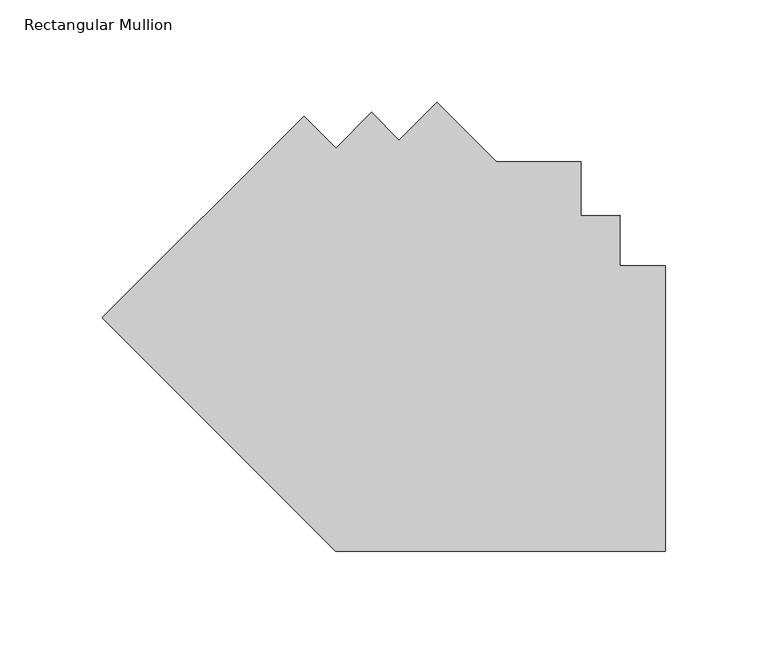
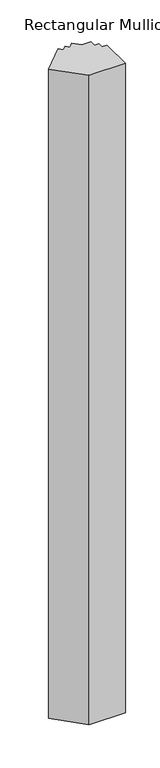
"""IFC4 building model written with IfcOpenShell, lengths in millimetres: member geometry, Rectangular Mullion."""

from ifc_helpers import new_model, si_unit, frame, origin, place, context, project, spatial, polyline, outline, extrude, source, transform, mapped, element, save


def rectangular_mullion_6c4c6254(model_context):
    return source(origin(), model_context, "Body", "SweptSolid", [
        extrude(outline(polyline([(-161.4576687, -190.5), (-275.6254948, -76.3321738), (-176.842681, 22.45064), (-161.1273172, 6.7352761), (-143.6971255, 24.1654677), (-130.2883184, 10.6331863), (-111.7357523, 29.1857523), (-82.55, 0.0), (-41.2751132, 0.0), (-41.2751132, -26.2372905), (-22.2248868, -26.149981), (-22.2248868, -50.7999944), (0.0, -50.7999944), (0.0, -190.5), (-161.4576687, -190.5)])), frame((0.0, 0.0, -3048.0), z_axis=(0.0, 0.0, 1.0), x_axis=(1.0, 0.0, 0.0)), (0.0, 0.0, 1.0), 3048.0),
    ])


if __name__ == "__main__":
    model = new_model("IFC4")
    model_context = context("Model", 3, world=origin())
    ifc_project = project(units=[si_unit("LENGTHUNIT", "METRE", prefix="MILLI")], contexts=[model_context])
    site = spatial("IfcSite", under=ifc_project)
    building = spatial("IfcBuilding", under=site)
    placement = place(None, origin())
    rectangular_mullion_shape = rectangular_mullion_6c4c6254(model_context)
    element("IfcMember", 1, ObjectType="Rectangular Mullion", at=placement, inside=building, context=model_context, shape_type="MappedRepresentation", body=[
        mapped(rectangular_mullion_shape, transform((0.0, 0.0, 0.0), x_axis=(1.0, 0.0, 0.0), y_axis=(0.0, 1.0, 0.0), z_axis=(0.0, 0.0, 1.0))),
    ])
    save(model, "model.ifc")
